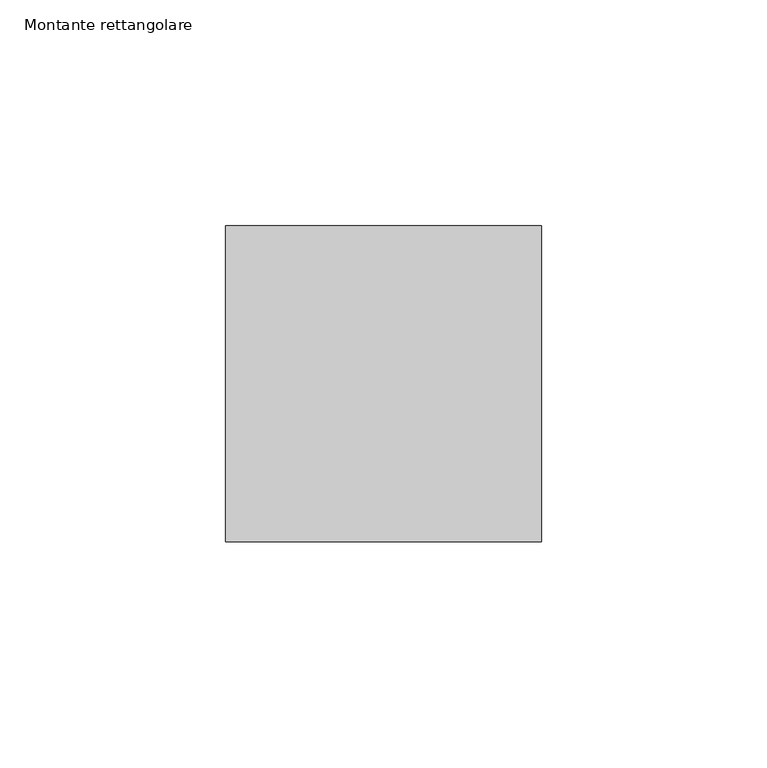
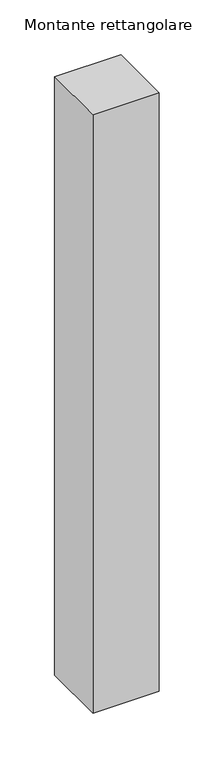
"""IFC4 building model written with IfcOpenShell, lengths in millimetres: member geometry, Montante rettangolare."""

from ifc_helpers import new_model, si_unit, frame, origin, place, context, project, spatial, polyline, outline, extrude, source, transform, mapped, element, save


def montante_rettangolare_41f6e266(model_context):
    return source(origin(), model_context, "Body", "SweptSolid", [
        extrude(outline(polyline([(35.0, 35.0), (35.0, -35.0), (-35.0, -35.0), (-35.0, 35.0), (35.0, 35.0)])), frame((0.0, 0.0, -667.3166263), z_axis=(0.0, 0.0, 1.0), x_axis=(1.0, 0.0, 0.0)), (0.0, 0.0, 1.0), 667.3166263),
    ])


if __name__ == "__main__":
    model = new_model("IFC4")
    model_context = context("Model", 3, world=origin())
    ifc_project = project(units=[si_unit("LENGTHUNIT", "METRE", prefix="MILLI")], contexts=[model_context])
    site = spatial("IfcSite", under=ifc_project)
    building = spatial("IfcBuilding", under=site)
    placement = place(None, origin())
    montante_rettangolare_shape = montante_rettangolare_41f6e266(model_context)
    element("IfcMember", 1, ObjectType="Montante rettangolare", at=placement, inside=building, context=model_context, shape_type="MappedRepresentation", body=[
        mapped(montante_rettangolare_shape, transform((0.0, 0.0, 0.0), x_axis=(1.0, 0.0, 0.0), y_axis=(0.0, 1.0, 0.0), z_axis=(0.0, 0.0, 1.0))),
    ])
    save(model, "model.ifc")
